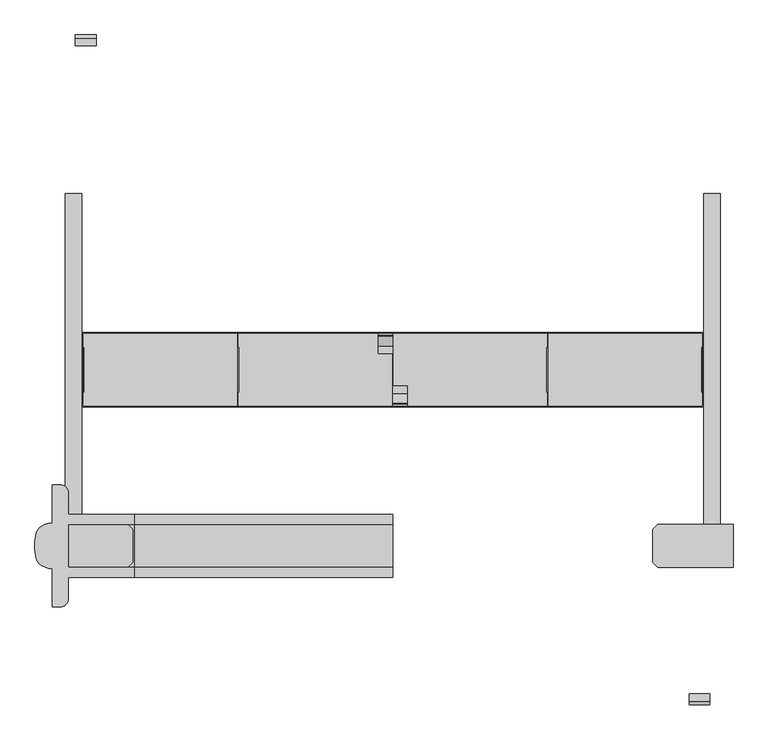
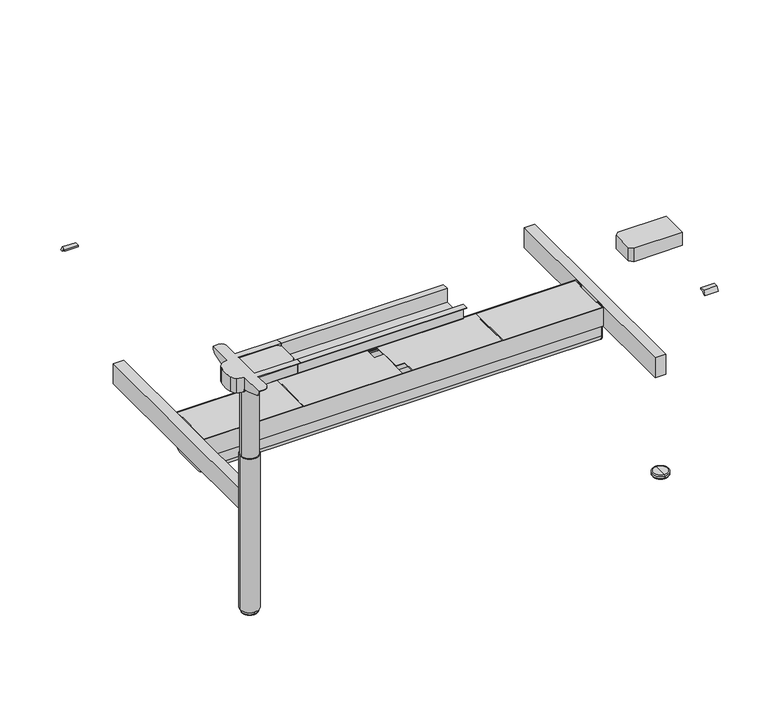
"""IFC4 building model written with IfcOpenShell, lengths in millimetres: furniture geometry."""

from ifc_helpers import new_model, si_unit, point, frame, frame_2d, origin, place, context, project, spatial, polyline, circle_curve, ellipse_curve, trimmed, segment, composite_curve, outline, extrude, faceted_brep, source, transform, mapped, element, save
from ifc_brep_helpers import plane_surface, cylinder_surface, revolved_surface, advanced_brep


def furniture_308faa69(model_context):
    return source(origin(), model_context, "Body", "SolidModel", [
        advanced_brep(
        [(1670.0, -395.0, 11.9999997), (1670.0, -398.0, 14.9999997), (1670.0, -452.0, 14.9999997), (1670.0, -455.0, 11.9999997), (1670.0, -395.0, 3.0), (1670.0, -455.0, 3.0), (1670.0, -398.0, 0.0), (1670.0, -452.0, 0.0), (1670.0, -425.0, 0.0), (1670.0, -425.0, 14.9999997)],
        [
            (0, 1, circle_curve(frame((1670.0, -398.0, 11.9999997), z_axis=(1.0, 0.0, 0.0), x_axis=(0.0, -1.0, 0.0)), 3.0)),
            (1, 2, circle_curve(frame((1670.0, -425.0, 14.9999997), z_axis=(0.0, 0.0, -1.0), x_axis=(0.0, -1.0, 0.0)), 27.0)),
            (2, 3, circle_curve(frame((1670.0, -452.0, 11.9999997), z_axis=(1.0, 0.0, 0.0), x_axis=(0.0, 1.0, 0.0)), 3.0)),
            (3, 0, circle_curve(frame((1670.0, -425.0, 11.9999997), z_axis=(0.0, 0.0, 1.0), x_axis=(0.0, -1.0, 0.0)), 30.0)),
            (2, 1, circle_curve(frame((1670.0, -425.0, 14.9999997), z_axis=(0.0, 0.0, -1.0), x_axis=(0.0, -1.0, 0.0)), 27.0)),
            (0, 3, circle_curve(frame((1670.0, -425.0, 11.9999997), z_axis=(0.0, 0.0, 1.0), x_axis=(0.0, -1.0, 0.0)), 30.0)),
            (4, 0),
            (3, 5),
            (5, 4, circle_curve(frame((1670.0, -425.0, 3.0), z_axis=(0.0, 0.0, 1.0), x_axis=(0.0, -1.0, 0.0)), 30.0)),
            (4, 5, circle_curve(frame((1670.0, -425.0, 3.0), z_axis=(0.0, 0.0, 1.0), x_axis=(0.0, -1.0, 0.0)), 30.0)),
            (6, 4, circle_curve(frame((1670.0, -398.0, 3.0), z_axis=(1.0, 0.0, 0.0), x_axis=(0.0, -1.0, 0.0)), 3.0)),
            (5, 7, circle_curve(frame((1670.0, -452.0, 3.0), z_axis=(1.0, 0.0, 0.0), x_axis=(0.0, 1.0, 0.0)), 3.0)),
            (7, 6, circle_curve(frame((1670.0, -425.0, 0.0), z_axis=(0.0, 0.0, 1.0), x_axis=(0.0, -1.0, 0.0)), 27.0)),
            (6, 7, circle_curve(frame((1670.0, -425.0, 0.0), z_axis=(0.0, 0.0, 1.0), x_axis=(0.0, -1.0, 0.0)), 27.0)),
            (8, 6),
            (7, 8),
            (1, 9),
            (9, 2),
        ],
        [
            revolved_surface(trimmed(ellipse_curve(frame((1670.0, -452.0, 11.9999997), z_axis=(1.0, 0.0, 0.0), x_axis=(0.0, 1.0, 0.0)), 3.0, 3.0), [point((1670.0, -452.0, 14.9999997))], [point((1670.0, -455.0, 11.9999997))], True, "CARTESIAN"), (1670.0, -425.0, -5.0), (0.0, 0.0, -1.0)),
            cylinder_surface(frame((1670.0, -425.0, -5.0), z_axis=(0.0, 0.0, -1.0), x_axis=(0.0, -1.0, 0.0)), 30.0),
            revolved_surface(trimmed(ellipse_curve(frame((1670.0, -452.0, 3.0), z_axis=(1.0, 0.0, 0.0), x_axis=(0.0, 1.0, 0.0)), 3.0, 3.0), [point((1670.0, -455.0, 3.0))], [point((1670.0, -452.0, 0.0))], True, "CARTESIAN"), (1670.0, -425.0, -5.0), (0.0, 0.0, -1.0)),
            plane_surface(frame((1670.0, -425.0, 0.0), z_axis=(0.0, 0.0, -1.0), x_axis=(0.0, -1.0, 0.0))),
            plane_surface(frame((1670.0, -425.0, 14.9999997), z_axis=(0.0, 0.0, 1.0), x_axis=(0.0, -1.0, 0.0))),
        ],
        [
            (0, [[1, 2, 3, 4]]),
            (0, [[-3, 5, -1, 6]]),
            (1, [[7, -4, 8, 9]]),
            (1, [[-8, -6, -7, 10]]),
            (2, [[11, -9, 12, 13]]),
            (2, [[-12, -10, -11, 14]]),
            (3, [[15, -13, 16]]),
            (3, [[-16, -14, -15]]),
            (4, [[17, 18, -2]]),
            (4, [[-18, -17, -5]]),
        ],
    ),
        extrude(outline(polyline([(1539.0058611, -373.0), (1721.0, -373.0), (1721.0, -477.0), (1539.0058611, -477.0), (1527.0, -464.9941389), (1527.0, -385.0058611), (1539.0058611, -373.0)])), frame((0.0, 0.0, 920.0), z_axis=(0.0, 0.0, 1.0), x_axis=(1.0, 0.0, 0.0)), (0.0, 0.0, 1.0), 52.0),
        extrude(outline(polyline([(-349.5, 972.0), (-370.0, 972.0), (-370.0, 920.0), (-373.0, 917.0), (-477.0, 917.0), (-480.0, 920.0), (-480.0, 972.0), (-500.5, 972.0), (-500.5, 975.0), (-477.0, 975.0), (-477.0, 920.0), (-373.0, 920.0), (-373.0, 975.0), (-349.5, 975.0), (-349.5, 972.0)])), frame((278.0, 0.0, 0.0), z_axis=(1.0, 0.0, 0.0), x_axis=(0.0, 1.0, 0.0)), (0.0, 0.0, 1.0), 622.0),
        extrude(outline(composite_curve([segment(trimmed(circle_curve(frame_2d((130.0, -425.0)), 35.0), [point((95.0, -425.0))], [point((165.0, -425.0))], False, "CARTESIAN"), True, "CONTINUOUS"), segment(trimmed(circle_curve(frame_2d((130.0, -425.0)), 35.0), [point((165.0, -425.0))], [point((95.0, -425.0))], False, "CARTESIAN"), True, "CONTINUOUS")], self_intersect=False)), frame((0.0, 0.0, 14.9999997), z_axis=(0.0, 0.0, 1.0), x_axis=(1.0, 0.0, 0.0)), (0.0, 0.0, 1.0), 608.0000003),
        extrude(outline(composite_curve([segment(trimmed(circle_curve(frame_2d((130.0, -425.0)), 32.0), [point((98.0, -425.0))], [point((162.0, -425.0))], False, "CARTESIAN"), True, "CONTINUOUS"), segment(trimmed(circle_curve(frame_2d((130.0, -425.0)), 32.0), [point((162.0, -425.0))], [point((98.0, -425.0))], False, "CARTESIAN"), True, "CONTINUOUS")], self_intersect=False)), frame((0.0, 0.0, 623.0), z_axis=(0.0, 0.0, 1.0), x_axis=(1.0, 0.0, 0.0)), (0.0, 0.0, 1.0), 294.0),
        advanced_brep(
        [(98.0, -572.5, 975.0), (118.0, -552.5, 975.0), (118.0, -500.5, 975.0), (278.0, -500.5, 975.0), (278.0, -477.0, 975.0), (118.0, -477.0, 975.0), (118.0, -373.0, 975.0), (278.0, -373.0, 975.0), (278.0, -349.5, 975.0), (118.0, -349.5, 975.0), (118.0, -297.5, 975.0), (98.0, -277.5, 975.0), (79.0, -277.5, 975.0), (79.0, -370.0, 975.0), (52.2763436, -378.2997982, 975.0), (40.6942682, -395.0019514, 975.0), (40.6942682, -454.9980486, 975.0), (52.2763436, -471.7002018, 975.0), (79.0, -480.0, 975.0), (79.0, -572.5, 975.0), (98.0, -277.5, 972.0), (118.0, -297.5, 972.0), (118.0, -349.5, 972.0), (278.0, -349.5, 972.0), (278.0, -370.0, 972.0), (82.0, -370.0, 972.0), (82.0, -277.5, 972.0), (118.0, -552.5, 972.0), (98.0, -572.5, 972.0), (82.0, -572.5, 972.0), (82.0, -480.0, 972.0), (278.0, -480.0, 972.0), (278.0, -500.5, 972.0), (118.0, -500.5, 972.0), (118.0, -373.0, 972.0), (118.0, -477.0, 972.0), (82.0, -477.0, 972.0), (82.0, -373.0, 972.0), (82.0, -277.5, 970.0), (79.0, -277.5, 970.0), (79.0, -288.6005858, 952.1446048), (79.0, -338.0263662, 934.4919759), (79.0, -367.7068099, 927.0), (79.0, -370.0, 927.0), (79.0, -482.2931901, 927.0), (79.0, -511.9736338, 934.4919759), (79.0, -561.3994142, 952.1446048), (79.0, -572.5, 970.0), (79.0, -480.0, 927.0), (82.0, -572.5, 970.0), (82.0, -477.0, 927.0), (82.0, -373.0, 927.0), (82.0, -288.6005858, 952.1446048), (82.0, -370.0, 927.0), (82.0, -367.7068099, 927.0), (82.0, -338.0263662, 934.4919759), (82.0, -561.3994142, 952.1446048), (82.0, -511.9736338, 934.4919759), (82.0, -482.2931901, 927.0), (82.0, -480.0, 927.0), (79.0, -477.0, 927.0), (79.0, -373.0, 927.0), (278.0, -373.0, 920.0), (278.0, -477.0, 920.0), (278.0, -480.0, 920.0), (278.0, -477.0, 917.0), (278.0, -373.0, 917.0), (278.0, -370.0, 920.0), (79.0, -373.0, 920.0), (79.0, -477.0, 920.0), (78.9091785, -480.0, 920.0), (79.0, -477.0, 917.0), (79.0, -480.0, 917.0), (52.2763436, -471.7002018, 917.0), (40.6942682, -454.9980486, 917.0), (40.6942682, -395.0019514, 917.0), (52.2763436, -378.2997982, 917.0), (79.0, -370.0, 917.0), (79.0, -373.0, 917.0), (79.0, -370.0, 920.0)],
        [
            (0, 1, circle_curve(frame((98.0, -552.5, 975.0), z_axis=(0.0, 0.0, 1.0), x_axis=(1.0, 0.0, 0.0)), 20.0)),
            (1, 2),
            (2, 3),
            (3, 4),
            (4, 5),
            (5, 6),
            (6, 7),
            (7, 8),
            (8, 9),
            (9, 10),
            (10, 11, circle_curve(frame((98.0, -297.5, 975.0), z_axis=(0.0, 0.0, 1.0), x_axis=(1.0, 0.0, 0.0)), 20.0)),
            (11, 12),
            (12, 13),
            (13, 14, circle_curve(frame((78.9545892, -417.0260458, 975.0), z_axis=(0.0, 0.0, 1.0), x_axis=(1.0, 0.0, 0.0)), 47.0260677)),
            (14, 15, circle_curve(frame((68.5881069, -401.9780188, 975.0), z_axis=(0.0, 0.0, 1.0), x_axis=(1.0, 0.0, 0.0)), 28.7529434)),
            (15, 16, circle_curve(frame((160.6416094, -425.0, 975.0), z_axis=(0.0, 0.0, 1.0), x_axis=(1.0, 0.0, 0.0)), 123.6416094)),
            (16, 17, circle_curve(frame((68.5881069, -448.0219812, 975.0), z_axis=(0.0, 0.0, 1.0), x_axis=(1.0, 0.0, 0.0)), 28.7529434)),
            (17, 18, circle_curve(frame((78.9545892, -432.9739542, 975.0), z_axis=(0.0, 0.0, 1.0), x_axis=(1.0, 0.0, 0.0)), 47.0260677)),
            (18, 19),
            (19, 0),
            (20, 21, circle_curve(frame((98.0, -297.5, 972.0), z_axis=(0.0, 0.0, -1.0), x_axis=(1.0, 0.0, 0.0)), 20.0)),
            (21, 22),
            (22, 23),
            (23, 24),
            (24, 25),
            (25, 26),
            (26, 20),
            (27, 28, circle_curve(frame((98.0, -552.5, 972.0), z_axis=(0.0, 0.0, -1.0), x_axis=(1.0, 0.0, 0.0)), 20.0)),
            (28, 29),
            (29, 30),
            (30, 31),
            (31, 32),
            (32, 33),
            (33, 27),
            (34, 35),
            (35, 36),
            (36, 37),
            (37, 34),
            (11, 20),
            (26, 38),
            (38, 39),
            (39, 12),
            (40, 41, circle_curve(frame((79.0, -405.1855435, 1200.5518532), z_axis=(-1.0, 0.0, 0.0), x_axis=(0.0, 1.0, 0.0)), 274.4051993)),
            (41, 42),
            (42, 43),
            (43, 13),
            (39, 40, circle_curve(frame((79.0, -297.4105773, 970.0), z_axis=(-1.0, 0.0, 0.0), x_axis=(0.0, 1.0, 0.0)), 19.9105773)),
            (44, 45),
            (45, 46, circle_curve(frame((79.0, -444.8144565, 1200.5518532), z_axis=(-1.0, 0.0, 0.0), x_axis=(0.0, 1.0, 0.0)), 274.4051993)),
            (46, 47, circle_curve(frame((79.0, -552.5894227, 970.0), z_axis=(-1.0, 0.0, 0.0), x_axis=(0.0, 1.0, 0.0)), 19.9105773)),
            (47, 19),
            (18, 48),
            (48, 44),
            (28, 0),
            (47, 49),
            (49, 29),
            (27, 1),
            (5, 35),
            (34, 6),
            (33, 2),
            (21, 10),
            (9, 22),
            (36, 50),
            (50, 51),
            (51, 37),
            (52, 38, circle_curve(frame((82.0, -297.4105773, 970.0), z_axis=(1.0, 0.0, 0.0), x_axis=(0.0, 1.0, 0.0)), 19.9105773)),
            (25, 53),
            (53, 54),
            (54, 55),
            (55, 52, circle_curve(frame((82.0, -405.1855435, 1200.5518532), z_axis=(1.0, 0.0, 0.0), x_axis=(0.0, 1.0, 0.0)), 274.4051993)),
            (49, 56, circle_curve(frame((82.0, -552.5894227, 970.0), z_axis=(1.0, 0.0, 0.0), x_axis=(0.0, 1.0, 0.0)), 19.9105773)),
            (56, 57, circle_curve(frame((82.0, -444.8144565, 1200.5518532), z_axis=(1.0, 0.0, 0.0), x_axis=(0.0, 1.0, 0.0)), 274.4051993)),
            (57, 58),
            (58, 59),
            (59, 30),
            (52, 40),
            (46, 56),
            (45, 57),
            (44, 58),
            (50, 60),
            (60, 61),
            (61, 51),
            (48, 59),
            (42, 54),
            (53, 43),
            (41, 55),
            (23, 8),
            (7, 62),
            (62, 63),
            (63, 4),
            (3, 32),
            (31, 64),
            (64, 65),
            (65, 66),
            (66, 67),
            (67, 24),
            (61, 68),
            (68, 62),
            (68, 69),
            (69, 63),
            (69, 60),
            (48, 70),
            (70, 64),
            (65, 71),
            (71, 72),
            (72, 73, circle_curve(frame((78.9545892, -432.9739542, 917.0), z_axis=(0.0, 0.0, -1.0), x_axis=(1.0, 0.0, 0.0)), 47.0260677)),
            (73, 74, circle_curve(frame((68.5881069, -448.0219812, 917.0), z_axis=(0.0, 0.0, -1.0), x_axis=(1.0, 0.0, 0.0)), 28.7529434)),
            (74, 75, circle_curve(frame((160.6416094, -425.0, 917.0), z_axis=(0.0, 0.0, -1.0), x_axis=(1.0, 0.0, 0.0)), 123.6416094)),
            (75, 76, circle_curve(frame((68.5881069, -401.9780188, 917.0), z_axis=(0.0, 0.0, -1.0), x_axis=(1.0, 0.0, 0.0)), 28.7529434)),
            (76, 77, circle_curve(frame((78.9545892, -417.0260458, 917.0), z_axis=(0.0, 0.0, -1.0), x_axis=(1.0, 0.0, 0.0)), 47.0260677)),
            (77, 78),
            (78, 66),
            (67, 79),
            (79, 43),
            (70, 71),
            (78, 79),
            (70, 72),
            (77, 79),
            (76, 14),
            (75, 15),
            (74, 16),
            (73, 17),
        ],
        [
            plane_surface(frame((79.0, -277.5, 975.0), z_axis=(0.0, 0.0, 1.0), x_axis=(-1.0, 0.0, 0.0))),
            plane_surface(frame((79.0, -277.5, 972.0), z_axis=(0.0, 0.0, -1.0), x_axis=(1.0, 0.0, 0.0))),
            plane_surface(frame((98.0, -277.5, 975.0), z_axis=(0.0, 1.0, 0.0), x_axis=(0.0, 0.0, -1.0))),
            plane_surface(frame((79.0, -277.5, 975.0), z_axis=(-1.0, 0.0, 0.0), x_axis=(0.0, 0.0, -1.0))),
            plane_surface(frame((79.0, -572.5, 975.0), z_axis=(0.0, -1.0, 0.0), x_axis=(0.0, 0.0, -1.0))),
            cylinder_surface(frame((98.0, -552.5, 972.0), z_axis=(0.0, 0.0, 1.0), x_axis=(1.0, 0.0, 0.0)), 20.0),
            plane_surface(frame((118.0, -552.5, 975.0), z_axis=(1.0, 0.0, 0.0), x_axis=(0.0, 0.0, -1.0))),
            cylinder_surface(frame((98.0, -297.5, 972.0), z_axis=(0.0, 0.0, 1.0), x_axis=(1.0, 0.0, 0.0)), 20.0),
            plane_surface(frame((82.0, -277.5, 970.0), z_axis=(1.0, 0.0, 0.0), x_axis=(0.0, 0.0, 1.0))),
            cylinder_surface(frame((79.0, -297.4105773, 970.0), z_axis=(1.0, 0.0, 0.0), x_axis=(0.0, 1.0, 0.0)), 19.9105773),
            cylinder_surface(frame((79.0, -552.5894227, 970.0), z_axis=(1.0, 0.0, 0.0), x_axis=(0.0, 1.0, 0.0)), 19.9105773),
            cylinder_surface(frame((79.0, -444.8144565, 1200.5518532), z_axis=(1.0, 0.0, 0.0), x_axis=(0.0, 1.0, 0.0)), 274.4051993),
            plane_surface(frame((82.0, -511.9736338, 934.4919759), z_axis=(0.0, -0.24474455091693617, -0.9695875952158564), x_axis=(-1.0, 0.0, 0.0))),
            plane_surface(frame((82.0, -482.2931901, 927.0), z_axis=(0.0, 0.0, -1.0), x_axis=(-1.0, 0.0, 0.0))),
            plane_surface(frame((82.0, -367.7068099, 927.0), z_axis=(0.0, 0.2447445509167095, -0.9695875952159135), x_axis=(-1.0, 0.0, 0.0))),
            cylinder_surface(frame((79.0, -405.1855435, 1200.5518532), z_axis=(1.0, 0.0, 0.0), x_axis=(0.0, 1.0, 0.0)), 274.4051993),
            plane_surface(frame((278.0, -349.5, 975.0), z_axis=(1.0, 0.0, 0.0), x_axis=(0.0, 0.0, 1.0))),
            plane_surface(frame((278.0, -349.5, 972.0), z_axis=(0.0, 1.0, 0.0), x_axis=(-1.0, 0.0, 0.0))),
            plane_surface(frame((278.0, -373.0, 975.0), z_axis=(0.0, -1.0, 0.0), x_axis=(-1.0, 0.0, 0.0))),
            plane_surface(frame((278.0, -373.0, 920.0), z_axis=(0.0, 0.0, 1.0), x_axis=(-1.0, 0.0, 0.0))),
            plane_surface(frame((278.0, -477.0, 920.0), z_axis=(0.0, 1.0, 0.0), x_axis=(-1.0, 0.0, 0.0))),
            plane_surface(frame((278.0, -500.5, 975.0), z_axis=(0.0, -1.0, 0.0), x_axis=(-1.0, 0.0, 0.0))),
            plane_surface(frame((278.0, -480.0, 972.0), z_axis=(0.0, -1.0, 0.0), x_axis=(-1.0, 0.0, 0.0))),
            plane_surface(frame((278.0, -477.0, 917.0), z_axis=(0.0, 0.0, -1.0), x_axis=(-1.0, 0.0, 0.0))),
            plane_surface(frame((278.0, -370.0, 920.0), z_axis=(0.0, 1.0, 0.0), x_axis=(-1.0, 0.0, 0.0))),
            plane_surface(frame((278.0, -480.0, 920.0), z_axis=(0.0, -0.7071067811929762, -0.7071067811801188), x_axis=(-1.0, 0.0, 0.0))),
            plane_surface(frame((278.0, -373.0, 917.0), z_axis=(0.0, 0.7071067811748187, -0.7071067811982764), x_axis=(-1.0, 0.0, 0.0))),
            plane_surface(frame((79.0, -480.0, 975.0), z_axis=(1.0, 0.0, 0.0), x_axis=(0.0, 0.0, -1.0))),
            cylinder_surface(frame((78.9545892, -417.0260458, 917.0), z_axis=(0.0, 0.0, 1.0), x_axis=(1.0, 0.0, 0.0)), 47.0260677),
            cylinder_surface(frame((68.5881069, -401.9780188, 917.0), z_axis=(0.0, 0.0, 1.0), x_axis=(1.0, 0.0, 0.0)), 28.7529434),
            cylinder_surface(frame((160.6416094, -425.0, 917.0), z_axis=(0.0, 0.0, 1.0), x_axis=(1.0, 0.0, 0.0)), 123.6416094),
            cylinder_surface(frame((68.5881069, -448.0219812, 917.0), z_axis=(0.0, 0.0, 1.0), x_axis=(1.0, 0.0, 0.0)), 28.7529434),
            cylinder_surface(frame((78.9545892, -432.9739542, 917.0), z_axis=(0.0, 0.0, 1.0), x_axis=(1.0, 0.0, 0.0)), 47.0260677),
        ],
        [
            (0, [[1, 2, 3, 4, 5, 6, 7, 8, 9, 10, 11, 12, 13, 14, 15, 16, 17, 18, 19, 20]]),
            (1, [[21, 22, 23, 24, 25, 26, 27]]),
            (1, [[28, 29, 30, 31, 32, 33, 34]]),
            (1, [[35, 36, 37, 38]]),
            (2, [[39, -27, 40, 41, 42, -12]]),
            (3, [[43, 44, 45, 46, -13, -42, 47]]),
            (3, [[48, 49, 50, 51, -19, 52, 53]]),
            (4, [[54, -20, -51, 55, 56, -29]]),
            (5, [[-1, -54, -28, 57]]),
            (6, [[-6, 58, -35, 59]]),
            (6, [[-57, -34, 60, -2]]),
            (6, [[61, -10, 62, -22]]),
            (7, [[-11, -61, -21, -39]]),
            (8, [[-37, 63, 64, 65]]),
            (8, [[66, -40, -26, 67, 68, 69, 70]]),
            (8, [[71, 72, 73, 74, 75, -30, -56]]),
            (9, [[-66, 76, -47, -41]]),
            (10, [[-71, -55, -50, 77]]),
            (11, [[-72, -77, -49, 78]]),
            (12, [[-73, -78, -48, 79]]),
            (13, [[-64, 80, 81, 82]]),
            (13, [[-79, -53, 83, -74]]),
            (13, [[84, -68, 85, -45]]),
            (14, [[-69, -84, -44, 86]]),
            (15, [[-70, -86, -43, -76]]),
            (16, [[87, -8, 88, 89, 90, -4, 91, -32, 92, 93, 94, 95, 96, -24]]),
            (17, [[-87, -23, -62, -9]]),
            (18, [[-88, -7, -59, -38, -65, -82, 97, 98]]),
            (19, [[-89, -98, 99, 100]]),
            (20, [[-90, -100, 101, -80, -63, -36, -58, -5]]),
            (21, [[-91, -3, -60, -33]]),
            (22, [[-92, -31, -75, -83, 102, 103]]),
            (23, [[-94, 104, 105, 106, 107, 108, 109, 110, 111, 112]]),
            (24, [[-96, 113, 114, -85, -67, -25]]),
            (25, [[-93, -103, 115, -104]]),
            (26, [[-95, -112, 116, -113]]),
            (27, [[-81, -101, -99, -97]]),
            (27, [[-105, -115, 117]]),
            (27, [[118, -116, -111]]),
            (28, [[-14, -46, -114, -118, -110, 119]]),
            (29, [[-15, -119, -109, 120]]),
            (30, [[-16, -120, -108, 121]]),
            (31, [[-17, -121, -107, 122]]),
            (32, [[-18, -122, -106, -117, -102, -52]]),
        ],
    ),
        advanced_brep(
        [(130.0, -395.0, 11.9999997), (130.0, -455.0, 11.9999997), (130.0, -452.0, 14.9999997), (130.0, -398.0, 14.9999997), (130.0, -395.0, 3.0), (130.0, -455.0, 3.0), (130.0, -398.0, 0.0), (130.0, -452.0, 0.0), (130.0, -425.0, 0.0), (130.0, -425.0, 14.9999997)],
        [
            (0, 1, circle_curve(frame((130.0, -425.0, 11.9999997), z_axis=(0.0, 0.0, 1.0), x_axis=(0.0, -1.0, 0.0)), 30.0)),
            (1, 2, circle_curve(frame((130.0, -452.0, 11.9999997), z_axis=(-1.0, 0.0, 0.0), x_axis=(0.0, 1.0, 0.0)), 3.0)),
            (2, 3, circle_curve(frame((130.0, -425.0, 14.9999997), z_axis=(0.0, 0.0, -1.0), x_axis=(0.0, -1.0, 0.0)), 27.0)),
            (3, 0, circle_curve(frame((130.0, -398.0, 11.9999997), z_axis=(-1.0, 0.0, 0.0), x_axis=(0.0, -1.0, 0.0)), 3.0)),
            (1, 0, circle_curve(frame((130.0, -425.0, 11.9999997), z_axis=(0.0, 0.0, 1.0), x_axis=(0.0, -1.0, 0.0)), 30.0)),
            (3, 2, circle_curve(frame((130.0, -425.0, 14.9999997), z_axis=(0.0, 0.0, -1.0), x_axis=(0.0, -1.0, 0.0)), 27.0)),
            (4, 5, circle_curve(frame((130.0, -425.0, 3.0), z_axis=(0.0, 0.0, 1.0), x_axis=(0.0, -1.0, 0.0)), 30.0)),
            (5, 1),
            (0, 4),
            (5, 4, circle_curve(frame((130.0, -425.0, 3.0), z_axis=(0.0, 0.0, 1.0), x_axis=(0.0, -1.0, 0.0)), 30.0)),
            (6, 7, circle_curve(frame((130.0, -425.0, 0.0), z_axis=(0.0, 0.0, 1.0), x_axis=(0.0, -1.0, 0.0)), 27.0)),
            (7, 5, circle_curve(frame((130.0, -452.0, 3.0), z_axis=(-1.0, 0.0, 0.0), x_axis=(0.0, 1.0, 0.0)), 3.0)),
            (4, 6, circle_curve(frame((130.0, -398.0, 3.0), z_axis=(-1.0, 0.0, 0.0), x_axis=(0.0, -1.0, 0.0)), 3.0)),
            (7, 6, circle_curve(frame((130.0, -425.0, 0.0), z_axis=(0.0, 0.0, 1.0), x_axis=(0.0, -1.0, 0.0)), 27.0)),
            (8, 7),
            (6, 8),
            (2, 9),
            (9, 3),
        ],
        [
            revolved_surface(trimmed(ellipse_curve(frame((130.0, -452.0, 11.9999997), z_axis=(1.0, 0.0, 0.0), x_axis=(0.0, 1.0, 0.0)), 3.0, 3.0), [point((130.0, -452.0, 14.9999997))], [point((130.0, -455.0, 11.9999997))], True, "CARTESIAN"), (130.0, -425.0, -5.0), (0.0, 0.0, -1.0)),
            cylinder_surface(frame((130.0, -425.0, -5.0), z_axis=(0.0, 0.0, -1.0), x_axis=(0.0, -1.0, 0.0)), 30.0),
            revolved_surface(trimmed(ellipse_curve(frame((130.0, -452.0, 3.0), z_axis=(1.0, 0.0, 0.0), x_axis=(0.0, 1.0, 0.0)), 3.0, 3.0), [point((130.0, -455.0, 3.0))], [point((130.0, -452.0, 0.0))], True, "CARTESIAN"), (130.0, -425.0, -5.0), (0.0, 0.0, -1.0)),
            plane_surface(frame((130.0, -425.0, 0.0), z_axis=(0.0, 0.0, -1.0), x_axis=(0.0, -1.0, 0.0))),
            plane_surface(frame((130.0, -425.0, 14.9999997), z_axis=(0.0, 0.0, 1.0), x_axis=(0.0, -1.0, 0.0))),
        ],
        [
            (0, [[1, 2, 3, 4]]),
            (0, [[5, -4, 6, -2]]),
            (1, [[7, 8, -1, 9]]),
            (1, [[10, -9, -5, -8]]),
            (2, [[11, 12, -7, 13]]),
            (2, [[14, -13, -10, -12]]),
            (3, [[15, -11, 16]]),
            (3, [[-16, -14, -15]]),
            (4, [[-3, 17, 18]]),
            (4, [[-6, -18, -17]]),
        ],
    ),
        extrude(outline(polyline([(260.9941389, -373.0), (273.0, -385.0058611), (273.0, -464.9941389), (260.9941389, -477.0), (79.0, -477.0), (79.0, -373.0), (260.9941389, -373.0)])), frame((0.0, 0.0, 920.0), z_axis=(0.0, 0.0, 1.0), x_axis=(1.0, 0.0, 0.0)), (0.0, 0.0, 1.0), 52.0),
        extrude(outline(polyline([(-808.0, 959.0), (-800.0, 975.0), (-782.0, 975.0), (-782.0, 969.0), (-795.0, 969.0), (-800.0, 959.0), (-808.0, 959.0)])), frame((1615.0, 0.0, 0.0), z_axis=(1.0, 0.0, 0.0), x_axis=(0.0, 1.0, 0.0)), (0.0, 0.0, 1.0), 50.0),
        extrude(outline(composite_curve([segment(polyline([(82.5, 391.4998693), (82.5, 347.9998693)]), True, "CONTINUOUS"), segment(trimmed(circle_curve(frame_2d((57.5, 347.9998693)), 25.0), [point((82.5, 347.9998693))], [point((57.5, 322.9998693))], False, "CARTESIAN"), True, "CONTINUOUS"), segment(polyline([(57.5, 322.9998693), (-57.5, 322.9998693)]), True, "CONTINUOUS"), segment(trimmed(circle_curve(frame_2d((-57.5, 347.9998693)), 25.0), [point((-57.5, 322.9998693))], [point((-82.5, 347.9998693))], False, "CARTESIAN"), True, "CONTINUOUS"), segment(polyline([(-82.5, 347.9998693), (-82.5, 391.4998693), (82.5, 391.4998693)]), True, "CONTINUOUS")], self_intersect=False)), frame((1647.5, 0.0, 0.0), z_axis=(1.0, 0.0, 0.0), x_axis=(0.0, 1.0, 0.0)), (0.0, 0.0, 1.0), 2.5),
        extrude(outline(composite_curve([segment(polyline([(82.5, 391.4998693), (82.5, 347.9998693)]), True, "CONTINUOUS"), segment(trimmed(circle_curve(frame_2d((57.5, 347.9998693)), 25.0), [point((82.5, 347.9998693))], [point((57.5, 322.9998693))], False, "CARTESIAN"), True, "CONTINUOUS"), segment(polyline([(57.5, 322.9998693), (-57.5, 322.9998693)]), True, "CONTINUOUS"), segment(trimmed(circle_curve(frame_2d((-57.5, 347.9998693)), 25.0), [point((-57.5, 322.9998693))], [point((-82.5, 347.9998693))], False, "CARTESIAN"), True, "CONTINUOUS"), segment(polyline([(-82.5, 347.9998693), (-82.5, 391.4998693), (82.5, 391.4998693)]), True, "CONTINUOUS")], self_intersect=False)), frame((150.0, 0.0, 0.0), z_axis=(1.0, 0.0, 0.0), x_axis=(0.0, 1.0, 0.0)), (0.0, 0.0, 1.0), 2.5),
        faceted_brep([(152.5, 54.5, 465.4998693), (152.5, 54.5, 436.5), (152.5, -54.5, 436.5), (152.5, -54.5, 465.4998693), (152.5, -88.5, 465.4998693), (152.5, -88.5, 459.4997864), (152.5, -83.5, 459.4997864), (152.5, -83.5, 457.9924389), (152.5, -88.5, 457.9924389), (152.5, -88.5, 451.0609414), (152.5, -83.5, 451.0609414), (152.5, -83.5, 449.5162381), (152.5, -88.5, 449.5162381), (152.5, -88.5, 391.4998693), (152.5, 88.5, 391.4998693), (152.5, 88.5, 449.5162381), (152.5, 83.5, 449.5162381), (152.5, 83.5, 451.0609414), (152.5, 88.5, 451.0609414), (152.5, 88.5, 457.9924389), (152.5, 83.5, 457.9924389), (152.5, 83.5, 459.4997864), (152.5, 88.5, 459.4997864), (152.5, 88.5, 465.4998693), (150.0, 54.5, 465.4998693), (150.0, 90.0, 465.4998693), (150.0, 90.0, 391.4998693), (150.0, -90.0, 391.4998693), (150.0, -90.0, 465.4998693), (150.0, -54.5, 465.4998693), (150.0, -54.5, 436.5), (150.0, 54.5, 436.5), (1650.0, -90.0, 465.4998693), (1650.0, -54.5, 465.4998693), (1647.5, -54.5, 465.4998693), (1647.5, -88.5, 465.4998693), (1650.0, -90.0, 391.4998693), (1650.0, 90.0, 391.4998693), (1647.5, -88.5, 391.4998693), (1647.5, 88.5, 391.4998693), (1650.0, 90.0, 465.4998693), (1647.5, 88.5, 465.4998693), (1647.5, 54.5, 465.4998693), (1650.0, 54.5, 465.4998693), (1647.5, 88.5, 459.4997864), (1647.5, 83.5, 459.4997864), (1647.5, 83.5, 457.9924389), (1647.5, 88.5, 457.9924389), (1647.5, 88.5, 451.0609414), (1647.5, 83.5, 451.0609414), (1647.5, 83.5, 449.5162381), (1647.5, 88.5, 449.5162381), (1647.5, -88.5, 449.5162381), (1647.5, -83.5, 449.5162381), (1647.5, -83.5, 451.0609414), (1647.5, -88.5, 451.0609414), (1647.5, -88.5, 457.9924389), (1647.5, -83.5, 457.9924389), (1647.5, -83.5, 459.4997864), (1647.5, -88.5, 459.4997864), (1650.0, 54.5, 436.5), (1650.0, -54.5, 436.5), (1647.5, -54.5, 436.5), (1647.5, 54.5, 436.5)], [[[0, 1, 2, 3, 4, 5, 6, 7, 8, 9, 10, 11, 12, 13, 14, 15, 16, 17, 18, 19, 20, 21, 22, 23]], [[24, 25, 26, 27, 28, 29, 30, 31]], [[1, 0, 24, 31]], [[2, 1, 31, 30]], [[3, 2, 30, 29]], [[29, 28, 32, 33, 34, 35, 4, 3]], [[32, 28, 27, 36]], [[36, 27, 26, 37], [13, 38, 39, 14]], [[37, 26, 25, 40]], [[40, 25, 24, 0, 23, 41, 42, 43]], [[41, 23, 22, 44]], [[44, 22, 21, 45]], [[45, 21, 20, 46]], [[46, 20, 19, 47]], [[47, 19, 18, 48]], [[48, 18, 17, 49]], [[49, 17, 16, 50]], [[50, 16, 15, 51]], [[51, 15, 14, 39]], [[38, 13, 12, 52]], [[52, 12, 11, 53]], [[53, 11, 10, 54]], [[54, 10, 9, 55]], [[55, 9, 8, 56]], [[56, 8, 7, 57]], [[57, 7, 6, 58]], [[58, 6, 5, 59]], [[59, 5, 4, 35]], [[43, 60, 61, 33, 32, 36, 37, 40]], [[34, 62, 63, 42, 41, 44, 45, 46, 47, 48, 49, 50, 51, 39, 38, 52, 53, 54, 55, 56, 57, 58, 59, 35]], [[60, 43, 42, 63]], [[61, 60, 63, 62]], [[33, 61, 62, 34]]]),
        extrude(outline(polyline([(525.25, 87.5), (525.25, -87.5), (153.5, -87.5), (153.5, -54.5), (156.0, -54.5), (156.0, 54.5), (153.5, 54.5), (153.5, 87.5), (525.25, 87.5)])), frame((0.0, 0.0, 460.9998693), z_axis=(0.0, 0.0, 1.0), x_axis=(1.0, 0.0, 0.0)), (0.0, 0.0, 1.0), 3.0),
        extrude(outline(polyline([(527.25, 87.5), (864.0, 87.5), (864.0, 37.5), (899.0, 37.5), (899.0, -87.5), (527.25, -87.5), (527.25, -54.5), (529.75, -54.5), (529.75, 54.5), (527.25, 54.5), (527.25, 87.5)])), frame((0.0, 0.0, 460.9998693), z_axis=(0.0, 0.0, 1.0), x_axis=(1.0, 0.0, 0.0)), (0.0, 0.0, 1.0), 3.0),
        extrude(outline(polyline([(1272.75, 87.5), (1272.75, 54.5), (1270.25, 54.5), (1270.25, -54.5), (1272.75, -54.5), (1272.75, -87.5), (936.0, -87.5), (936.0, -37.5), (901.0, -37.5), (901.0, 87.5), (1272.75, 87.5)])), frame((0.0, 0.0, 460.9998693), z_axis=(0.0, 0.0, 1.0), x_axis=(1.0, 0.0, 0.0)), (0.0, 0.0, 1.0), 3.0),
        extrude(outline(polyline([(1274.75, 87.5), (1646.5, 87.5), (1646.5, 54.5), (1644.0, 54.5), (1644.0, -54.5), (1646.5, -54.5), (1646.5, -87.5), (1274.75, -87.5), (1274.75, 87.5)])), frame((0.0, 0.0, 460.9998693), z_axis=(0.0, 0.0, 1.0), x_axis=(1.0, 0.0, 0.0)), (0.0, 0.0, 1.0), 3.0),
        extrude(outline(composite_curve([segment(trimmed(circle_curve(frame_2d((-57.5, 347.9998693)), 25.0), [point((-57.5, 322.9998693))], [point((-82.5, 347.9998693))], False, "CARTESIAN"), True, "CONTINUOUS"), segment(polyline([(-82.5, 347.9998693), (-82.5, 391.4998693), (-88.5, 391.4998693), (-88.5, 392.4998693), (-81.5, 392.4998693), (-81.5, 347.9998693)]), True, "CONTINUOUS"), segment(trimmed(circle_curve(frame_2d((-57.5, 347.9998693)), 24.0), [point((-81.5, 347.9998693))], [point((-57.5, 323.9998693))], True, "CARTESIAN"), True, "CONTINUOUS"), segment(polyline([(-57.5, 323.9998693), (57.5, 323.9998693)]), True, "CONTINUOUS"), segment(trimmed(circle_curve(frame_2d((57.5, 347.9998693)), 24.0), [point((57.5, 323.9998693))], [point((81.5, 347.9998693))], True, "CARTESIAN"), True, "CONTINUOUS"), segment(polyline([(81.5, 347.9998693), (81.5, 392.4998693), (88.5, 392.4998693), (88.5, 391.4998693), (82.5, 391.4998693), (82.5, 347.9998693)]), True, "CONTINUOUS"), segment(trimmed(circle_curve(frame_2d((57.5, 347.9998693)), 25.0), [point((82.5, 347.9998693))], [point((57.5, 322.9998693))], False, "CARTESIAN"), True, "CONTINUOUS"), segment(polyline([(57.5, 322.9998693), (-57.5, 322.9998693)]), True, "CONTINUOUS")], self_intersect=False)), frame((152.5, 0.0, 0.0), z_axis=(1.0, 0.0, 0.0), x_axis=(0.0, 1.0, 0.0)), (0.0, 0.0, 1.0), 1495.0),
        extrude(outline(polyline([(794.0557281, 689.0), (782.0, 689.0), (782.0, 695.0), (800.0, 695.0), (808.0, 679.0), (799.0557281, 679.0), (794.0557281, 689.0)])), frame((135.0, 0.0, 0.0), z_axis=(1.0, 0.0, 0.0), x_axis=(0.0, 1.0, 0.0)), (0.0, 0.0, 1.0), 50.0),
        extrude(outline(polyline([(150.0, -425.0), (110.0, -425.0), (110.0, 425.0), (150.0, 425.0), (150.0, -425.0)])), frame((0.0, 0.0, 388.4998693), z_axis=(0.0, 0.0, 1.0), x_axis=(1.0, 0.0, 0.0)), (0.0, 0.0, 1.0), 80.0),
        extrude(outline(polyline([(1690.0, -425.0), (1650.0, -425.0), (1650.0, 425.0), (1690.0, 425.0), (1690.0, -425.0)])), frame((0.0, 0.0, 388.4998693), z_axis=(0.0, 0.0, 1.0), x_axis=(1.0, 0.0, 0.0)), (0.0, 0.0, 1.0), 80.0),
    ])


if __name__ == "__main__":
    model = new_model("IFC4")
    model_context = context("Model", 3, world=origin())
    ifc_project = project(units=[si_unit("LENGTHUNIT", "METRE", prefix="MILLI")], contexts=[model_context])
    site = spatial("IfcSite", under=ifc_project)
    building = spatial("IfcBuilding", under=site)
    placement = place(None, origin())
    furniture_shape = furniture_308faa69(model_context)
    element("IfcFurniture", 1, at=placement, inside=building, context=model_context, shape_type="MappedRepresentation", body=[
        mapped(furniture_shape, transform((0.0, 0.0, 0.0), x_axis=(1.0, 0.0, 0.0), y_axis=(0.0, 1.0, 0.0), z_axis=(0.0, 0.0, 1.0))),
    ])
    save(model, "model.ifc")
